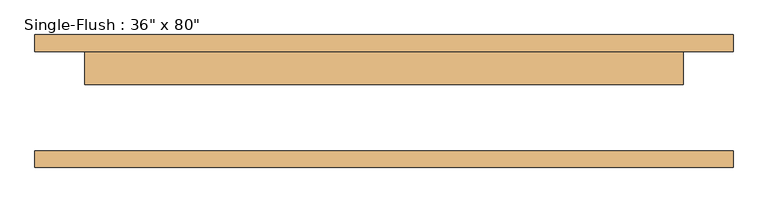
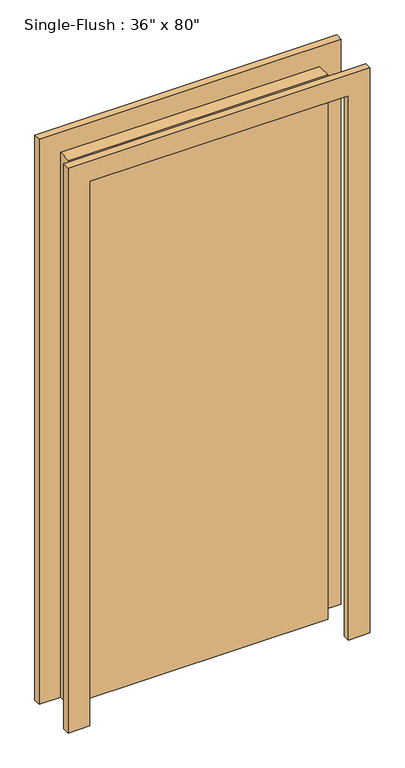
"""IFC4 building model written with IfcOpenShell, lengths in millimetres: door geometry."""

from ifc_helpers import new_model, si_unit, frame, origin, origin_with_axes, place, context, project, spatial, polyline, outline, extrude, source, transform, mapped, element, save


def door_193fcfdc(model_context):
    return source(origin(), model_context, "Body", "SweptSolid", [
        extrude(outline(polyline([(2108.2, -533.4), (0.0, -533.4), (0.0, -457.2), (2032.0, -457.2), (2032.0, 457.2), (0.0, 457.2), (0.0, 533.4), (2108.2, 533.4), (2108.2, -533.4)])), frame((0.0, 76.2, 0.0), z_axis=(0.0, 1.0, 0.0), x_axis=(0.0, 0.0, 1.0)), (0.0, 0.0, 1.0), 25.4),
        extrude(outline(polyline([(2108.2, 533.4), (2108.2, -533.4), (0.0, -533.4), (0.0, -457.2), (2032.0, -457.2), (2032.0, 457.2), (0.0, 457.2), (0.0, 533.4), (2108.2, 533.4)])), frame((0.0, -101.6, 0.0), z_axis=(0.0, 1.0, 0.0), x_axis=(0.0, 0.0, 1.0)), (0.0, 0.0, 1.0), 25.4),
        extrude(outline(polyline([(457.2, 25.4), (-457.2, 25.4), (-457.2, 76.2), (457.2, 76.2), (457.2, 25.4)])), origin_with_axes(), (0.0, 0.0, 1.0), 2032.0),
    ])


if __name__ == "__main__":
    model = new_model("IFC4")
    model_context = context("Model", 3, world=origin())
    ifc_project = project(units=[si_unit("LENGTHUNIT", "METRE", prefix="MILLI")], contexts=[model_context])
    site = spatial("IfcSite", under=ifc_project)
    building = spatial("IfcBuilding", under=site)
    placement = place(None, origin())
    door_shape = door_193fcfdc(model_context)
    element("IfcDoor", 1, ObjectType="Single-Flush : 36\" x 80\"", at=placement, inside=building, context=model_context, shape_type="MappedRepresentation", body=[
        mapped(door_shape, transform((0.0, 0.0, 0.0), x_axis=(1.0, 0.0, 0.0), y_axis=(0.0, 1.0, 0.0), z_axis=(0.0, 0.0, 1.0))),
    ])
    save(model, "model.ifc")
